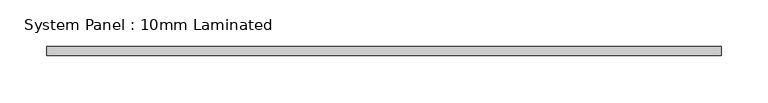
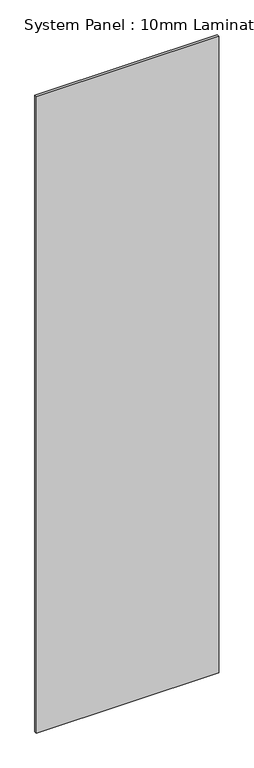
"""IFC4 building model written with IfcOpenShell, lengths in millimetres: plate geometry, System Panel : 10mm Laminated."""

from ifc_helpers import new_model, si_unit, origin, origin_with_axes, place, context, project, spatial, polyline, outline, extrude, source, transform, mapped, element, save


def system_panel_10mm_laminated_19783893(model_context):
    return source(origin(), model_context, "Body", "SweptSolid", [
        extrude(outline(polyline([(361.7177051, -5.0), (-361.7177051, -5.0), (-361.7177051, 5.0), (361.7177051, 5.0), (361.7177051, -5.0)])), origin_with_axes(), (0.0, 0.0, 1.0), 2668.2),
    ])


if __name__ == "__main__":
    model = new_model("IFC4")
    model_context = context("Model", 3, world=origin())
    ifc_project = project(units=[si_unit("LENGTHUNIT", "METRE", prefix="MILLI")], contexts=[model_context])
    site = spatial("IfcSite", under=ifc_project)
    building = spatial("IfcBuilding", under=site)
    placement = place(None, origin())
    system_panel_10mm_laminated_shape = system_panel_10mm_laminated_19783893(model_context)
    element("IfcPlate", 1, ObjectType="System Panel : 10mm Laminated", at=placement, inside=building, context=model_context, shape_type="MappedRepresentation", body=[
        mapped(system_panel_10mm_laminated_shape, transform((0.0, 0.0, 0.0), x_axis=(1.0, 0.0, 0.0), y_axis=(0.0, 1.0, 0.0), z_axis=(0.0, 0.0, 1.0))),
    ])
    save(model, "model.ifc")
